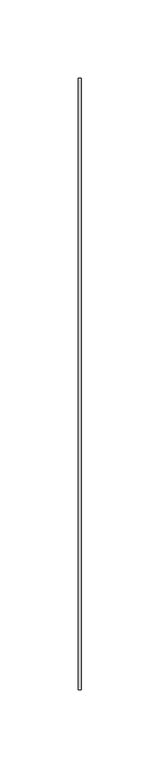
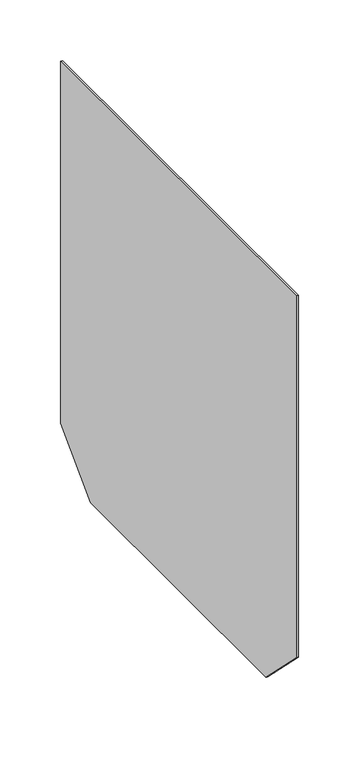
"""IFC4 building model written with IfcOpenShell, lengths in millimetres: proxy geometry."""

import ifcopenshell
import ifcopenshell.guid

model = None  # the IFC model being written
_history = None  # IfcOwnerHistory: only IFC2X3 demands one
_inside = {}  # id of a spatial element -> (the spatial element, [elements in it])
_under = {}  # id of a project, library or spatial element -> (it, [spatial elements below it])
_declared = {}  # id of a project -> (the project, [libraries it declares])
_typed = {}  # id of a type object -> (the type object, [elements of that type])
_made_of = {}  # id of a material, layer set ... -> (it, [elements and type objects made of it])


def new_model(schema):
    """Start an empty IFC model of exactly this schema.

    Asked for "IFC4X3", IfcOpenShell would pick the latest addendum, in which some entities
    have other attributes; the version numbers below select the first issue.
    IFC2X3 requires an IfcOwnerHistory on every rooted entity: one is made here for all.
    """
    global model, _history
    if schema == "IFC4X3":
        model = ifcopenshell.file(schema_version=(4, 3, 0, 0))
    else:
        model = ifcopenshell.file(schema=schema)
    _inside.clear()
    _under.clear()
    _declared.clear()
    _typed.clear()
    _made_of.clear()
    _history = None
    if model.schema == "IFC2X3":
        org = make("IfcOrganization", Name="unknown")
        user = make(
            "IfcPersonAndOrganization",
            ThePerson=make("IfcPerson", FamilyName="unknown"),
            TheOrganization=org,
        )
        app = make(
            "IfcApplication",
            ApplicationDeveloper=org,
            Version="unknown",
            ApplicationFullName="unknown",
            ApplicationIdentifier="unknown",
        )
        _history = make(
            "IfcOwnerHistory",
            OwningUser=user,
            OwningApplication=app,
            ChangeAction="ADDED",
            CreationDate=0,
        )
    return model


def make(cls, **values):
    """One entity of the class cls with the attributes given. An attribute that is None is left unset."""
    return model.create_entity(
        cls, **{name: value for name, value in values.items() if value is not None}
    )


def rooted(cls, **values):
    """An entity with a GlobalId (a new one), such as an element, a storey or a relation."""
    return make(cls, GlobalId=ifcopenshell.guid.new(), OwnerHistory=_history, **values)


def si_unit(unit_type, name, prefix=None):
    """IfcSIUnit, for example si_unit("LENGTHUNIT", "METRE", prefix="MILLI")."""
    return make("IfcSIUnit", UnitType=unit_type, Prefix=prefix, Name=name)


def assignment(units):
    """IfcUnitAssignment: the units of a project."""
    return None if units is None else make("IfcUnitAssignment", Units=units)


def point(xyz):
    """IfcCartesianPoint."""
    return None if xyz is None else make("IfcCartesianPoint", Coordinates=xyz)


def direction(xyz):
    """IfcDirection."""
    return None if xyz is None else make("IfcDirection", DirectionRatios=xyz)


def frame(location, z_axis=None, x_axis=None):
    """IfcAxis2Placement3D, a coordinate frame: its origin and axes. An axis left out is left unset."""
    return make(
        "IfcAxis2Placement3D",
        Location=point(location),
        Axis=direction(z_axis),
        RefDirection=direction(x_axis),
    )


def origin():
    """The frame at (0, 0, 0) with its axes left unset."""
    return frame((0.0, 0.0, 0.0))


def place(relative_to, where):
    """IfcLocalPlacement: puts the frame where relative to a parent placement (None: the world)."""
    return make(
        "IfcLocalPlacement", PlacementRelTo=relative_to, RelativePlacement=where
    )


def context(
    kind, dimensions, precision=None, world=None, true_north=None, identifier=None
):
    """IfcGeometricRepresentationContext, for example the 3D "Model" context."""
    return make(
        "IfcGeometricRepresentationContext",
        ContextIdentifier=identifier,
        ContextType=kind,
        CoordinateSpaceDimension=dimensions,
        Precision=precision,
        WorldCoordinateSystem=world,
        TrueNorth=true_north,
    )


def project(units=None, contexts=None):
    """IfcProject with its units and contexts."""
    return rooted(
        "IfcProject",
        Name="project",
        RepresentationContexts=contexts,
        UnitsInContext=assignment(units),
    )


def spatial(cls, under=None, at=None, **own):
    """A site, building, storey or space (cls), placed at a placement, below another one or the project."""
    s = rooted(cls, ObjectPlacement=at, **own)
    if under is not None:
        _under.setdefault(under.id(), (under, []))[1].append(s)
    return s


def polyline(points):
    """IfcPolyline through the points."""
    return make("IfcPolyline", Points=[point(p) for p in points])


def outline(outer, holes=None, kind="AREA"):
    """IfcArbitraryClosedProfileDef: a profile drawn as a closed curve; with holes, ...WithVoids."""
    if holes is None:
        return make("IfcArbitraryClosedProfileDef", ProfileType=kind, OuterCurve=outer)
    return make(
        "IfcArbitraryProfileDefWithVoids",
        ProfileType=kind,
        OuterCurve=outer,
        InnerCurves=holes,
    )


def extrude(swept, where, along, depth):
    """IfcExtrudedAreaSolid: the profile swept, set in the frame where, extruded along a direction by depth."""
    return make(
        "IfcExtrudedAreaSolid",
        SweptArea=swept,
        Position=where,
        ExtrudedDirection=direction(along),
        Depth=depth,
    )


def shape(context_of_items, identifier, shape_type, items):
    """IfcShapeRepresentation: the items that make up one representation, for example the "Body"."""
    return make(
        "IfcShapeRepresentation",
        ContextOfItems=context_of_items,
        RepresentationIdentifier=identifier,
        RepresentationType=shape_type,
        Items=items,
    )


def source(mapping_origin, context_of_items, identifier, shape_type, items):
    """IfcRepresentationMap: a shape defined once, which mapped items show again and again."""
    return make(
        "IfcRepresentationMap",
        MappingOrigin=mapping_origin,
        MappedRepresentation=shape(context_of_items, identifier, shape_type, items),
    )


def transform(
    local_origin,
    x_axis=None,
    y_axis=None,
    z_axis=None,
    scale=None,
    scale2=None,
    scale3=None,
    uniform=True,
):
    """IfcCartesianTransformationOperator3D, or its non-uniform kind. x_axis, y_axis, z_axis: its Axis1, 2, 3."""
    if uniform:
        return make(
            "IfcCartesianTransformationOperator3D",
            Axis1=direction(x_axis),
            Axis2=direction(y_axis),
            LocalOrigin=point(local_origin),
            Scale=scale,
            Axis3=direction(z_axis),
        )
    return make(
        "IfcCartesianTransformationOperator3DnonUniform",
        Axis1=direction(x_axis),
        Axis2=direction(y_axis),
        LocalOrigin=point(local_origin),
        Scale=scale,
        Axis3=direction(z_axis),
        Scale2=scale2,
        Scale3=scale3,
    )


def mapped(mapping_source, mapping_target):
    """IfcMappedItem: shows the shape of a source again, moved by a transform."""
    return make(
        "IfcMappedItem", MappingSource=mapping_source, MappingTarget=mapping_target
    )


def made_of(thing, what):
    """Note that an element or type object is made of a material, layer set ...; save() writes the relation."""
    if what is not None:
        _made_of.setdefault(what.id(), (what, []))[1].append(thing)
    return thing


def element(
    cls,
    number,
    at=None,
    inside=None,
    cuts=None,
    type_object=None,
    material=None,
    context=None,
    identifier="Body",
    shape_type=None,
    held_by="IfcProductDefinitionShape",
    body=None,
    shapes=None,
    **own,
):
    """One element of the class cls, such as IfcWall. Its Tag is "e" and its number.

    at: its placement. inside: the storey or other place that contains it. cuts: it is an
    opening in that element (IfcRelVoidsElement). A single representation is given by context,
    identifier, shape_type and body (its items); several are given by shapes. held_by: the class
    of the entity that holds the representations. save() writes the other relations.
    """
    e = rooted(cls, Tag="e%d" % number, ObjectPlacement=at, **own)
    if body is not None:
        shapes = [shape(context, identifier, shape_type, body)]
    if shapes is not None:
        e.Representation = make(held_by, Representations=shapes)
    if inside is not None:
        _inside.setdefault(inside.id(), (inside, []))[1].append(e)
    if cuts is not None:
        rooted(
            "IfcRelVoidsElement", RelatingBuildingElement=cuts, RelatedOpeningElement=e
        )
    if type_object is not None:
        _typed.setdefault(type_object.id(), (type_object, []))[1].append(e)
    return made_of(e, material)


def aggregate(whole, parts):
    """IfcRelAggregates: a whole, such as a stair, and the parts it consists of."""
    return rooted("IfcRelAggregates", RelatingObject=whole, RelatedObjects=parts)


def save(model, path):
    """Write the relations noted so far, then the file.

    IfcRelAggregates (storeys below a building ...), IfcRelContainedInSpatialStructure (elements
    in a storey), IfcRelDefinesByType, IfcRelAssociatesMaterial and IfcRelDeclares: one each for
    every whole, place, type object, material and project.
    """
    for whole, parts in _under.values():
        aggregate(whole, parts)
    for where, things in _inside.values():
        rooted(
            "IfcRelContainedInSpatialStructure",
            RelatedElements=things,
            RelatingStructure=where,
        )
    for kind, things in _typed.values():
        rooted("IfcRelDefinesByType", RelatedObjects=things, RelatingType=kind)
    for what, things in _made_of.values():
        rooted("IfcRelAssociatesMaterial", RelatedObjects=things, RelatingMaterial=what)
    for by, libraries in _declared.values():
        rooted("IfcRelDeclares", RelatingContext=by, RelatedDefinitions=libraries)
    model.write(path)


def generic_models_e335c90f(model_context):
    return source(origin(), model_context, "Body", "SweptSolid", [
        extrude(outline(polyline([(195.0, -365.0), (145.0, -415.0), (-145.0, -415.0), (-195.0, -365.0), (-195.0, 0.0), (195.0, 0.0), (195.0, -365.0)])), frame((0.0, 0.0, 0.0), z_axis=(1.0, 0.0, 0.0), x_axis=(0.0, 1.0, 0.0)), (0.0, 0.0, 1.0), 2.0),
    ])


if __name__ == "__main__":
    model = new_model("IFC4")
    model_context = context("Model", 3, world=origin())
    ifc_project = project(units=[si_unit("LENGTHUNIT", "METRE", prefix="MILLI")], contexts=[model_context])
    site = spatial("IfcSite", under=ifc_project)
    building = spatial("IfcBuilding", under=site)
    placement = place(None, origin())
    generic_models_shape = generic_models_e335c90f(model_context)
    element("IfcBuildingElementProxy", 1, Name="Generic Models", at=placement, inside=building, context=model_context, shape_type="MappedRepresentation", body=[
        mapped(generic_models_shape, transform((0.0, 0.0, 0.0), x_axis=(1.0, 0.0, 0.0), y_axis=(0.0, 1.0, 0.0), z_axis=(0.0, 0.0, 1.0))),
    ])
    save(model, "model.ifc")
